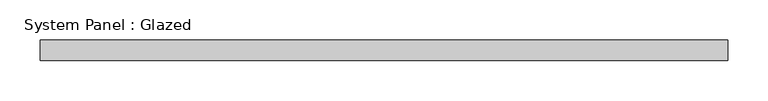
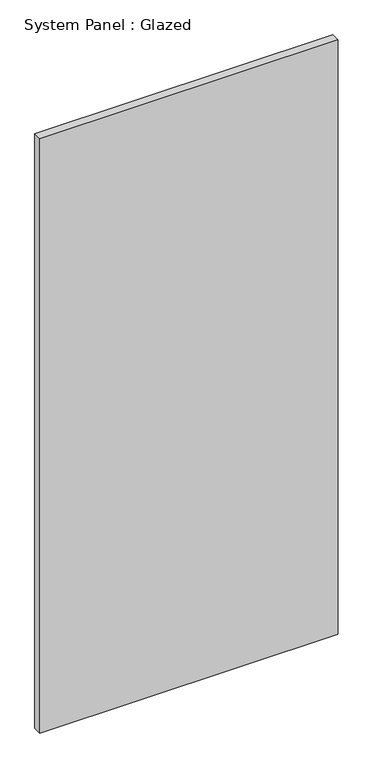
"""IFC4 building model written with IfcOpenShell, lengths in millimetres: plate geometry, System Panel : Glazed."""

from ifc_helpers import new_model, si_unit, origin, origin_with_axes, place, context, project, spatial, polyline, outline, extrude, source, transform, mapped, element, save


def system_panel_glazed_91e447a6(model_context):
    return source(origin(), model_context, "Body", "SweptSolid", [
        extrude(outline(polyline([(425.0, 24.5), (-425.0, 24.5), (-425.0, 49.5), (425.0, 49.5), (425.0, 24.5)])), origin_with_axes(), (0.0, 0.0, 1.0), 1791.6666667),
    ])


if __name__ == "__main__":
    model = new_model("IFC4")
    model_context = context("Model", 3, world=origin())
    ifc_project = project(units=[si_unit("LENGTHUNIT", "METRE", prefix="MILLI")], contexts=[model_context])
    site = spatial("IfcSite", under=ifc_project)
    building = spatial("IfcBuilding", under=site)
    placement = place(None, origin())
    system_panel_glazed_shape = system_panel_glazed_91e447a6(model_context)
    element("IfcPlate", 1, ObjectType="System Panel : Glazed", at=placement, inside=building, context=model_context, shape_type="MappedRepresentation", body=[
        mapped(system_panel_glazed_shape, transform((0.0, 0.0, 0.0), x_axis=(1.0, 0.0, 0.0), y_axis=(0.0, 1.0, 0.0), z_axis=(0.0, 0.0, 1.0))),
    ])
    save(model, "model.ifc")
